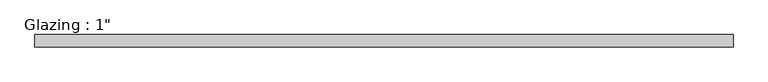
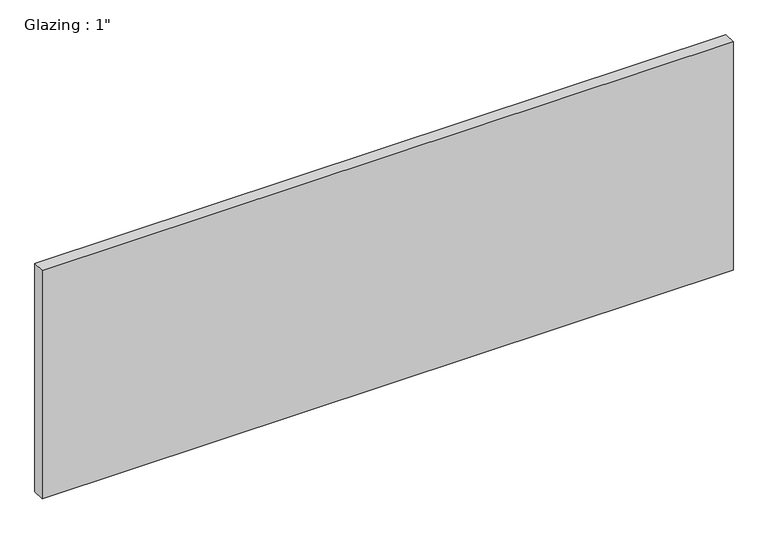
"""IFC4 building model written with IfcOpenShell, lengths in millimetres: plate geometry."""

from ifc_helpers import new_model, si_unit, origin, origin_with_axes, place, context, project, spatial, polyline, outline, extrude, source, transform, mapped, element, save


def plate_b880f577(model_context):
    return source(origin(), model_context, "Body", "SweptSolid", [
        extrude(outline(polyline([(712.2881578, -12.7), (-712.2881578, -12.7), (-712.2881578, 12.7), (712.2881578, 12.7), (712.2881578, -12.7)])), origin_with_axes(), (0.0, 0.0, 1.0), 497.9851068),
    ])


if __name__ == "__main__":
    model = new_model("IFC4")
    model_context = context("Model", 3, world=origin())
    ifc_project = project(units=[si_unit("LENGTHUNIT", "METRE", prefix="MILLI")], contexts=[model_context])
    site = spatial("IfcSite", under=ifc_project)
    building = spatial("IfcBuilding", under=site)
    placement = place(None, origin())
    plate_shape = plate_b880f577(model_context)
    element("IfcPlate", 1, ObjectType="Glazing : 1\"", at=placement, inside=building, context=model_context, shape_type="MappedRepresentation", body=[
        mapped(plate_shape, transform((0.0, 0.0, 0.0), x_axis=(1.0, 0.0, 0.0), y_axis=(0.0, 1.0, 0.0), z_axis=(0.0, 0.0, 1.0))),
    ])
    save(model, "model.ifc")
